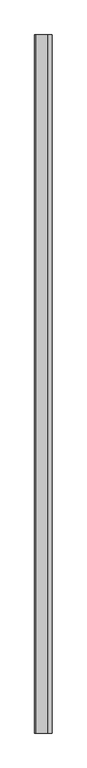
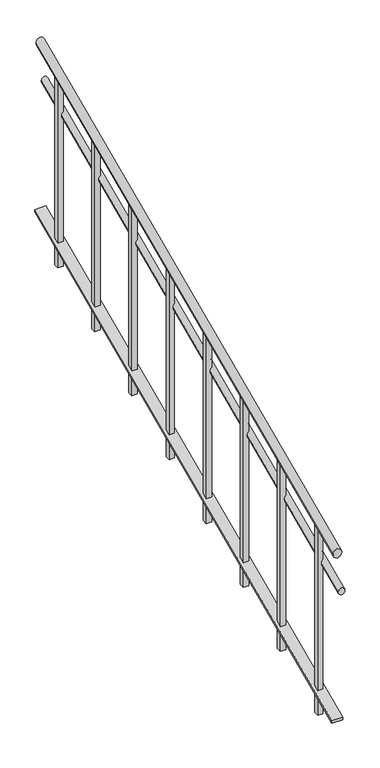
"""IFC4 building model written with IfcOpenShell, lengths in millimetres: railing geometry."""

from ifc_helpers import new_model, si_unit, frame, origin, place, context, project, spatial, polyline, ellipse_curve, outline, extrude, faceted_brep, source, transform, mapped, element, save
from ifc_brep_helpers import plane_surface, cylinder_surface, advanced_brep


def railing_f619da33(model_context):
    return source(origin(), model_context, "Body", "SolidModel", [
        advanced_brep(
        [(-735.3887159, -20906.8920513, -188.5530173), (-695.3887159, -20906.8920513, -188.5530173), (-735.3887159, -18506.8920513, 878.1136493), (-695.3887159, -18506.8920513, 878.1136493)],
        [
            (0, 1, ellipse_curve(frame((-715.3887159, -20906.8920513, -188.5530173), z_axis=(0.0, -1.0, 0.0), x_axis=(0.0, 0.0, -0.9999999999999999)), 21.8863507, 20.0)),
            (1, 0, ellipse_curve(frame((-715.3887159, -20906.8920513, -188.5530173), z_axis=(0.0, -1.0, 0.0), x_axis=(0.0, 0.0, -0.9999999999999999)), 21.8863507, 20.0)),
            (2, 3, ellipse_curve(frame((-715.3887159, -18506.8920513, 878.1136493), z_axis=(0.0, 1.0, 0.0), x_axis=(0.0, 0.0, -0.9999999999999999)), 21.8863507, 20.0)),
            (3, 2, ellipse_curve(frame((-715.3887159, -18506.8920513, 878.1136493), z_axis=(0.0, 1.0, 0.0), x_axis=(0.0, 0.0, -0.9999999999999999)), 21.8863507, 20.0)),
            (0, 2),
            (3, 1),
        ],
        [
            plane_surface(frame((-715.3887159, -20906.8920513, -166.6666667), z_axis=(0.0, -1.0, 0.0), x_axis=(0.0, 0.0, 1.0))),
            plane_surface(frame((-715.3887159, -18506.8920513, 900.0), z_axis=(0.0, 1.0, 0.0), x_axis=(0.0, 0.0, 1.0))),
            cylinder_surface(frame((-715.3887159, -20898.769282, -184.9428976), z_axis=(0.0, -0.913811548620257, -0.40613846605344806), x_axis=(1.0, 0.0, 0.0)), 20.0),
        ],
        [
            (0, [[1, 2]]),
            (1, [[3, 4]]),
            (2, [[-1, 5, -4, 6]]),
            (2, [[-2, -6, -3, -5]]),
        ],
    ),
        advanced_brep(
        [(-710.3887159, -20906.8920513, -383.0814297), (-680.3887159, -20906.8920513, -383.0814297), (-710.3887159, -18506.8920513, 683.585237), (-680.3887159, -18506.8920513, 683.585237)],
        [
            (0, 1, ellipse_curve(frame((-695.3887159, -20906.8920513, -383.0814297), z_axis=(0.0, -1.0, 0.0), x_axis=(0.0, 0.0, -0.9999999999999999)), 16.414763, 15.0)),
            (1, 0, ellipse_curve(frame((-695.3887159, -20906.8920513, -383.0814297), z_axis=(0.0, -1.0, 0.0), x_axis=(0.0, 0.0, -0.9999999999999999)), 16.414763, 15.0)),
            (2, 3, ellipse_curve(frame((-695.3887159, -18506.8920513, 683.585237), z_axis=(0.0, 1.0, 0.0), x_axis=(0.0, 0.0, -0.9999999999999999)), 16.414763, 15.0)),
            (3, 2, ellipse_curve(frame((-695.3887159, -18506.8920513, 683.585237), z_axis=(0.0, 1.0, 0.0), x_axis=(0.0, 0.0, -0.9999999999999999)), 16.414763, 15.0)),
            (0, 2),
            (3, 1),
        ],
        [
            plane_surface(frame((-695.3887159, -20906.8920513, -366.6666667), z_axis=(0.0, -1.0, 0.0), x_axis=(0.0, 0.0, 1.0))),
            plane_surface(frame((-695.3887159, -18506.8920513, 700.0), z_axis=(0.0, 1.0, 0.0), x_axis=(0.0, 0.0, 1.0))),
            cylinder_surface(frame((-695.3887159, -20900.7999744, -380.3738399), z_axis=(0.0, -0.913811548620257, -0.40613846605344806), x_axis=(1.0, 0.0, 0.0)), 15.0),
        ],
        [
            (0, [[1, 2]]),
            (1, [[3, 4]]),
            (2, [[-1, 5, -4, 6]]),
            (2, [[-2, -6, -3, -5]]),
        ],
    ),
        faceted_brep([(-690.3887159, -20906.8920513, -1006.6666667), (-740.3887159, -20906.8920513, -1006.6666667), (-740.3887159, -20906.8920513, -1017.609842), (-690.3887159, -20906.8920513, -1017.609842), (-690.3887159, -18506.8920513, 60.0), (-690.3887159, -18506.8920513, 49.0568247), (-740.3887159, -18506.8920513, 49.0568247), (-740.3887159, -18506.8920513, 60.0)], [[[0, 1, 2, 3]], [[4, 5, 6, 7]], [[1, 0, 4, 7]], [[2, 1, 7, 6]], [[3, 2, 6, 5]], [[0, 3, 5, 4]]]),
        extrude(outline(polyline([(-18669.3920513, -133.3333333), (-18669.3920513, 784.0050764), (-18644.3920513, 795.1161875), (-18644.3920513, -133.3333333), (-18669.3920513, -133.3333333)])), frame((-727.8887159, 0.0, 0.0), z_axis=(1.0, 0.0, 0.0), x_axis=(0.0, 1.0, 0.0)), (0.0, 0.0, 1.0), 25.0),
        extrude(outline(polyline([(-18969.3920513, -266.6666667), (-18969.3920513, 650.6717431), (-18944.3920513, 661.7828542), (-18944.3920513, -266.6666667), (-18969.3920513, -266.6666667)])), frame((-727.8887159, 0.0, 0.0), z_axis=(1.0, 0.0, 0.0), x_axis=(0.0, 1.0, 0.0)), (0.0, 0.0, 1.0), 25.0),
        extrude(outline(polyline([(-19269.3920513, -400.0), (-19269.3920513, 517.3384098), (-19244.3920513, 528.4495209), (-19244.3920513, -400.0), (-19269.3920513, -400.0)])), frame((-727.8887159, 0.0, 0.0), z_axis=(1.0, 0.0, 0.0), x_axis=(0.0, 1.0, 0.0)), (0.0, 0.0, 1.0), 25.0),
        extrude(outline(polyline([(-19569.3920513, -533.3333333), (-19569.3920513, 384.0050764), (-19544.3920513, 395.1161875), (-19544.3920513, -533.3333333), (-19569.3920513, -533.3333333)])), frame((-727.8887159, 0.0, 0.0), z_axis=(1.0, 0.0, 0.0), x_axis=(0.0, 1.0, 0.0)), (0.0, 0.0, 1.0), 25.0),
        extrude(outline(polyline([(-19869.3920513, -666.6666667), (-19869.3920513, 250.6717431), (-19844.3920513, 261.7828542), (-19844.3920513, -666.6666667), (-19869.3920513, -666.6666667)])), frame((-727.8887159, 0.0, 0.0), z_axis=(1.0, 0.0, 0.0), x_axis=(0.0, 1.0, 0.0)), (0.0, 0.0, 1.0), 25.0),
        extrude(outline(polyline([(-20169.3920513, -800.0), (-20169.3920513, 117.3384098), (-20144.3920513, 128.4495209), (-20144.3920513, -800.0), (-20169.3920513, -800.0)])), frame((-727.8887159, 0.0, 0.0), z_axis=(1.0, 0.0, 0.0), x_axis=(0.0, 1.0, 0.0)), (0.0, 0.0, 1.0), 25.0),
        extrude(outline(polyline([(-20469.3920513, -933.3333333), (-20469.3920513, -15.9949236), (-20444.3920513, -4.8838125), (-20444.3920513, -933.3333333), (-20469.3920513, -933.3333333)])), frame((-727.8887159, 0.0, 0.0), z_axis=(1.0, 0.0, 0.0), x_axis=(0.0, 1.0, 0.0)), (0.0, 0.0, 1.0), 25.0),
        extrude(outline(polyline([(-20769.3920513, -1066.6666667), (-20769.3920513, -149.3282569), (-20744.3920513, -138.2171458), (-20744.3920513, -1066.6666667), (-20769.3920513, -1066.6666667)])), frame((-727.8887159, 0.0, 0.0), z_axis=(1.0, 0.0, 0.0), x_axis=(0.0, 1.0, 0.0)), (0.0, 0.0, 1.0), 25.0),
    ])


if __name__ == "__main__":
    model = new_model("IFC4")
    model_context = context("Model", 3, world=origin())
    ifc_project = project(units=[si_unit("LENGTHUNIT", "METRE", prefix="MILLI")], contexts=[model_context])
    site = spatial("IfcSite", under=ifc_project)
    building = spatial("IfcBuilding", under=site)
    placement = place(None, origin())
    railing_shape = railing_f619da33(model_context)
    element("IfcRailing", 1, at=placement, inside=building, context=model_context, shape_type="MappedRepresentation", body=[
        mapped(railing_shape, transform((0.0, 0.0, 0.0), x_axis=(1.0, 0.0, 0.0), y_axis=(0.0, 1.0, 0.0), z_axis=(0.0, 0.0, 1.0))),
    ])
    save(model, "model.ifc")
